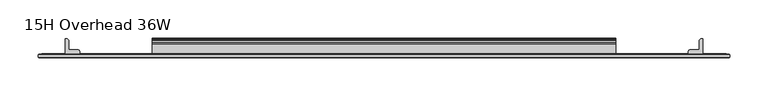
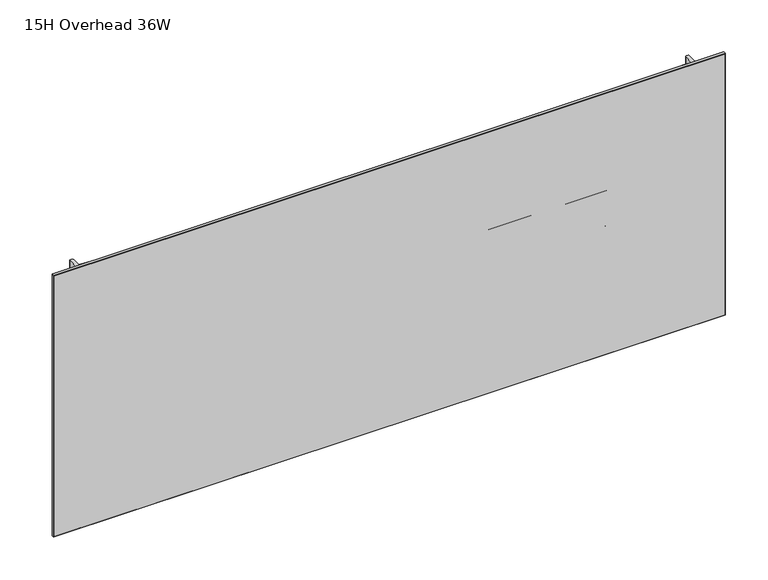
"""IFC4 building model written with IfcOpenShell, lengths in millimetres: furniture geometry, 15H Overhead 36W."""

from ifc_helpers import new_model, si_unit, point, frame, frame_2d, origin, place, context, project, spatial, polyline, circle_curve, trimmed, segment, composite_curve, outline, extrude, faceted_brep, source, transform, mapped, element, save


def furniture_15h_overhead_36w_3e188f15(model_context):
    return source(origin(), model_context, "Body", "SolidModel", [
        extrude(outline(composite_curve([segment(polyline([(-5.2324, 1497.6422044), (-5.2324, 1518.7607302)]), True, "CONTINUOUS"), segment(trimmed(circle_curve(frame_2d((-4.677496, 1518.7607302)), 0.554904), [point((-5.2324, 1518.7607302))], [point((-4.5338691, 1519.2967245))], False, "CARTESIAN"), True, "CONTINUOUS"), segment(polyline([(-4.5338691, 1519.2967245), (-3.3274001, 1518.9734349), (-2.3976956, 1518.0437678), (-2.0574001, 1516.7737145), (-2.0574001, 1504.0039299)]), True, "CONTINUOUS"), segment(trimmed(circle_curve(frame_2d((-1.4921701, 1504.0039299)), 0.5652299), [point((-2.0574001, 1504.0039299))], [point((-1.4921701, 1503.4387))], True, "CARTESIAN"), True, "CONTINUOUS"), segment(polyline([(-1.4921701, 1503.4387), (0.5143951, 1503.4387)]), True, "CONTINUOUS"), segment(trimmed(circle_curve(frame_2d((0.5143951, 1502.8354951)), 0.6032049), [point((0.5143951, 1503.4387))], [point((1.1176, 1502.8354951))], False, "CARTESIAN"), True, "CONTINUOUS"), segment(polyline([(1.1176, 1502.8354951), (1.1176, 1471.7208914)]), True, "CONTINUOUS"), segment(trimmed(circle_curve(frame_2d((0.6637885, 1474.4100964)), 2.7272272), [point((1.1176, 1471.7208914))], [point((-2.0574001, 1474.2287097))], False, "CARTESIAN"), True, "CONTINUOUS"), segment(polyline([(-2.0574001, 1474.2287097), (-2.0574001, 1496.5444586)]), True, "CONTINUOUS"), segment(trimmed(circle_curve(frame_2d((-2.6016657, 1496.5444586)), 0.5442657), [point((-2.0574001, 1496.5444586))], [point((-2.6016657, 1497.0887242))], True, "CARTESIAN"), True, "CONTINUOUS"), segment(polyline([(-2.6016657, 1497.0887242), (-4.6789199, 1497.0887242)]), True, "CONTINUOUS"), segment(trimmed(circle_curve(frame_2d((-4.6789199, 1497.6422044)), 0.5534801), [point((-4.6789199, 1497.0887242))], [point((-5.2324, 1497.6422044))], False, "CARTESIAN"), True, "CONTINUOUS")], self_intersect=False)), frame((152.4, 0.0, 0.0), z_axis=(1.0, 0.0, 0.0), x_axis=(0.0, 1.0, 0.0)), (0.0, 0.0, 1.0), 609.6),
        extrude(outline(composite_curve([segment(polyline([(-7.1373999, 1551.0637), (-4.5974, 1550.3831456), (-2.7379909, 1548.5237388), (-2.0574001, 1545.9837048), (-2.0574001, 1524.370022)]), True, "CONTINUOUS"), segment(trimmed(circle_curve(frame_2d((-1.4969277, 1524.370022)), 0.5604724), [point((-2.0574001, 1524.370022))], [point((-1.4969277, 1523.8095496))], True, "CARTESIAN"), True, "CONTINUOUS"), segment(polyline([(-1.4969277, 1523.8095496), (0.4039455, 1523.8095496)]), True, "CONTINUOUS"), segment(trimmed(circle_curve(frame_2d((0.4039455, 1523.0958952)), 0.7136544), [point((0.4039455, 1523.8095496))], [point((1.1176, 1523.0958952))], False, "CARTESIAN"), True, "CONTINUOUS"), segment(polyline([(1.1176, 1523.0958952), (1.1176, 1504.7397562)]), True, "CONTINUOUS"), segment(trimmed(circle_curve(frame_2d((0.4746932, 1504.7397562)), 0.6429068), [point((1.1176, 1504.7397562))], [point((-0.1003385, 1504.4522364))], False, "CARTESIAN"), True, "CONTINUOUS"), segment(polyline([(-0.1003385, 1504.4522364), (-1.8183367, 1507.8881852)]), True, "CONTINUOUS"), segment(trimmed(circle_curve(frame_2d((0.2069874, 1508.9008613)), 2.2643874), [point((-1.8183367, 1507.8881852))], [point((-2.0574001, 1508.9008613))], False, "CARTESIAN"), True, "CONTINUOUS"), segment(polyline([(-2.0574001, 1508.9008613), (-2.0574001, 1518.5765396)]), True, "CONTINUOUS"), segment(trimmed(circle_curve(frame_2d((-2.7946089, 1518.5765396)), 0.7372088), [point((-2.0574001, 1518.5765396))], [point((-2.7946089, 1519.3137484))], True, "CARTESIAN"), True, "CONTINUOUS"), segment(polyline([(-2.7946089, 1519.3137484), (-19.4564001, 1519.3137484), (-19.4564001, 1551.0637), (-7.1373999, 1551.0637)]), True, "CONTINUOUS")], self_intersect=False), holes=[composite_curve([segment(trimmed(circle_curve(frame_2d((-13.0222745, 1545.772613)), 2.7511257), [point((-13.0222745, 1548.5237388))], [point((-15.7734002, 1545.772613))], True, "CARTESIAN"), True, "CONTINUOUS"), segment(polyline([(-15.7734002, 1545.772613), (-15.7734002, 1524.4377649)]), True, "CONTINUOUS"), segment(trimmed(circle_curve(frame_2d((-13.189345, 1524.4377649)), 2.5840552), [point((-15.7734002, 1524.4377649))], [point((-13.189345, 1521.8537097))], True, "CARTESIAN"), True, "CONTINUOUS"), segment(polyline([(-13.189345, 1521.8537097), (-7.4218653, 1521.8537097)]), True, "CONTINUOUS"), segment(trimmed(circle_curve(frame_2d((-7.4218653, 1524.6781749)), 2.8244652), [point((-7.4218653, 1521.8537097))], [point((-4.5974, 1524.6781749))], True, "CARTESIAN"), True, "CONTINUOUS"), segment(polyline([(-4.5974, 1524.6781749), (-4.5974, 1545.846595)]), True, "CONTINUOUS"), segment(trimmed(circle_curve(frame_2d((-7.2745438, 1545.846595)), 2.6771438), [point((-4.5974, 1545.846595))], [point((-7.2745438, 1548.5237388))], True, "CARTESIAN"), True, "CONTINUOUS"), segment(polyline([(-7.2745438, 1548.5237388), (-13.0222745, 1548.5237388)]), True, "CONTINUOUS")], self_intersect=False)]), frame((152.4, 0.0, 0.0), z_axis=(1.0, 0.0, 0.0), x_axis=(0.0, 1.0, 0.0)), (0.0, 0.0, 1.0), 609.6),
        extrude(outline(composite_curve([segment(trimmed(circle_curve(frame_2d((875.7524764, -18.9088765)), 0.5475236), [point((876.3, -18.9088765))], [point((875.7524764, -19.4564001))], False, "CARTESIAN"), True, "CONTINUOUS"), segment(polyline([(875.7524764, -19.4564001), (857.8113866, -19.4564001)]), True, "CONTINUOUS"), segment(trimmed(circle_curve(frame_2d((857.8113866, -18.8950135)), 0.5613866), [point((857.8113866, -19.4564001))], [point((857.25, -18.8950135))], False, "CARTESIAN"), True, "CONTINUOUS"), segment(polyline([(857.25, -18.8950135), (857.25, -16.8669745)]), True, "CONTINUOUS"), segment(trimmed(circle_curve(frame_2d((859.8294745, -16.8669745)), 2.5794745), [point((857.25, -16.8669745))], [point((859.8294745, -14.2875))], False, "CARTESIAN"), True, "CONTINUOUS"), segment(polyline([(859.8294745, -14.2875), (870.8787912, -14.2875)]), True, "CONTINUOUS"), segment(trimmed(circle_curve(frame_2d((870.8787912, -13.6414903)), 0.6460097), [point((870.8787912, -14.2875))], [point((871.5248009, -13.6414903))], True, "CARTESIAN"), True, "CONTINUOUS"), segment(polyline([(871.5248009, -13.6414903), (871.5248009, -2.768893)]), True, "CONTINUOUS"), segment(trimmed(circle_curve(frame_2d((874.2936939, -2.768893)), 2.768893), [point((871.5248009, -2.768893))], [point((874.2936939, 0.0))], False, "CARTESIAN"), True, "CONTINUOUS"), segment(polyline([(874.2936939, 0.0), (875.7082199, 0.0)]), True, "CONTINUOUS"), segment(trimmed(circle_curve(frame_2d((875.7082199, -0.5917801)), 0.5917801), [point((875.7082199, 0.0))], [point((876.3, -0.5917801))], False, "CARTESIAN"), True, "CONTINUOUS"), segment(polyline([(876.3, -0.5917801), (876.3, -18.9088765)]), True, "CONTINUOUS")], self_intersect=False)), frame((0.0, 0.0, 1333.754), z_axis=(0.0, 0.0, 1.0), x_axis=(1.0, 0.0, 0.0)), (0.0, 0.0, 1.0), 365.1123),
        extrude(outline(composite_curve([segment(polyline([(38.1, -18.9088765), (38.1, -0.5917801)]), True, "CONTINUOUS"), segment(trimmed(circle_curve(frame_2d((38.6917801, -0.5917801)), 0.5917801), [point((38.1, -0.5917801))], [point((38.6917801, 0.0))], False, "CARTESIAN"), True, "CONTINUOUS"), segment(polyline([(38.6917801, 0.0), (40.1063061, 0.0)]), True, "CONTINUOUS"), segment(trimmed(circle_curve(frame_2d((40.1063061, -2.768893)), 2.768893), [point((40.1063061, 0.0))], [point((42.8751991, -2.768893))], False, "CARTESIAN"), True, "CONTINUOUS"), segment(polyline([(42.8751991, -2.768893), (42.8751991, -13.6414903)]), True, "CONTINUOUS"), segment(trimmed(circle_curve(frame_2d((43.5212088, -13.6414903)), 0.6460097), [point((42.8751991, -13.6414903))], [point((43.5212088, -14.2875))], True, "CARTESIAN"), True, "CONTINUOUS"), segment(polyline([(43.5212088, -14.2875), (54.5705255, -14.2875)]), True, "CONTINUOUS"), segment(trimmed(circle_curve(frame_2d((54.5705255, -16.8669745)), 2.5794745), [point((54.5705255, -14.2875))], [point((57.15, -16.8669745))], False, "CARTESIAN"), True, "CONTINUOUS"), segment(polyline([(57.15, -16.8669745), (57.15, -18.8950135)]), True, "CONTINUOUS"), segment(trimmed(circle_curve(frame_2d((56.5886134, -18.8950135)), 0.5613866), [point((57.15, -18.8950135))], [point((56.5886134, -19.4564001))], False, "CARTESIAN"), True, "CONTINUOUS"), segment(polyline([(56.5886134, -19.4564001), (38.6475236, -19.4564001)]), True, "CONTINUOUS"), segment(trimmed(circle_curve(frame_2d((38.6475236, -18.9088765)), 0.5475236), [point((38.6475236, -19.4564001))], [point((38.1, -18.9088765))], False, "CARTESIAN"), True, "CONTINUOUS")], self_intersect=False)), frame((0.0, 0.0, 1333.754), z_axis=(0.0, 0.0, 1.0), x_axis=(1.0, 0.0, 0.0)), (0.0, 0.0, 1.0), 365.1123),
        extrude(outline(polyline([(907.0975002, -20.0634601), (7.3024998, -20.0634601), (7.3024998, -19.4564001), (907.0975002, -19.4564001), (907.0975002, -20.0634601)])), frame((0.0, 0.0, 1333.754), z_axis=(0.0, 0.0, 1.0), x_axis=(1.0, 0.0, 0.0)), (0.0, 0.0, 1.0), 365.1123),
        faceted_brep([(911.8600024, -24.0512595, 1703.6288), (911.8600024, -20.8508598, 1703.6288), (2.5400001, -20.8508598, 1703.6288), (2.5400001, -24.0512595, 1703.6288), (2.5400001, -24.0512595, 1328.9788), (2.5400001, -20.8508598, 1328.9788), (911.8600024, -20.8508598, 1328.9788), (911.8600024, -24.0512595, 1328.9788), (3.3274521, -24.8386592, 1702.8413481), (3.3274521, -24.8386592, 1329.7662519), (911.0725505, -24.8386592, 1329.7662519), (911.0725505, -24.8386592, 1702.8413481), (3.3274521, -20.0634601, 1329.7662519), (3.3274521, -20.0634601, 1702.8413481), (911.0725505, -20.0634601, 1702.8413481), (911.0725505, -20.0634601, 1329.7662519)], [[[0, 1, 2, 3]], [[4, 5, 6, 7]], [[8, 9, 10, 11]], [[1, 0, 7, 6]], [[12, 13, 14, 15]], [[3, 2, 5, 4]], [[12, 5, 2, 13]], [[4, 9, 8, 3]], [[5, 12, 15, 6]], [[9, 4, 7, 10]], [[6, 15, 14, 1]], [[10, 7, 0, 11]], [[13, 2, 1, 14]], [[3, 8, 11, 0]]]),
    ])


if __name__ == "__main__":
    model = new_model("IFC4")
    model_context = context("Model", 3, world=origin())
    ifc_project = project(units=[si_unit("LENGTHUNIT", "METRE", prefix="MILLI")], contexts=[model_context])
    site = spatial("IfcSite", under=ifc_project)
    building = spatial("IfcBuilding", under=site)
    placement = place(None, origin())
    furniture_15h_overhead_36w_shape = furniture_15h_overhead_36w_3e188f15(model_context)
    element("IfcFurniture", 1, ObjectType="15H Overhead 36W", at=placement, inside=building, context=model_context, shape_type="MappedRepresentation", body=[
        mapped(furniture_15h_overhead_36w_shape, transform((0.0, 0.0, 0.0), x_axis=(1.0, 0.0, 0.0), y_axis=(0.0, 1.0, 0.0), z_axis=(0.0, 0.0, 1.0))),
    ])
    save(model, "model.ifc")
